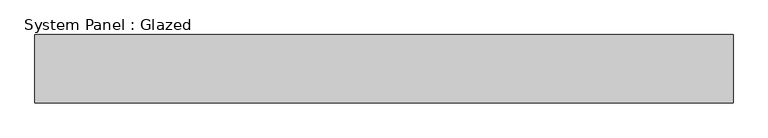
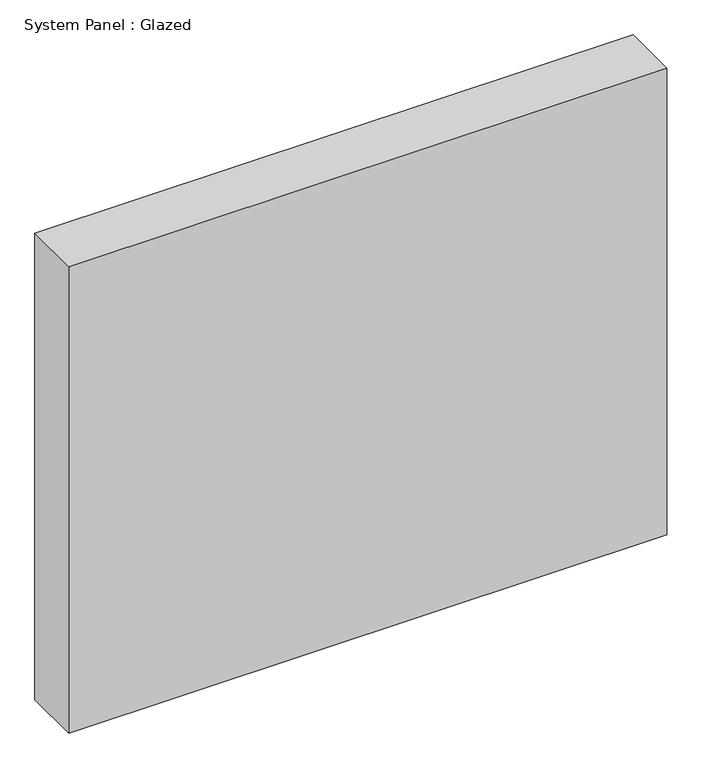
"""IFC4 building model written with IfcOpenShell, lengths in millimetres: plate geometry, System Panel : Glazed."""

from ifc_helpers import new_model, si_unit, origin, origin_with_axes, place, context, project, spatial, polyline, outline, extrude, source, transform, mapped, element, save


def system_panel_glazed_763c1e11(model_context):
    return source(origin(), model_context, "Body", "SweptSolid", [
        extrude(outline(polyline([(512.5, 50.0), (-512.5, 50.0), (-512.5, 150.0), (512.5, 150.0), (512.5, 50.0)])), origin_with_axes(), (0.0, 0.0, 1.0), 845.0),
    ])


if __name__ == "__main__":
    model = new_model("IFC4")
    model_context = context("Model", 3, world=origin())
    ifc_project = project(units=[si_unit("LENGTHUNIT", "METRE", prefix="MILLI")], contexts=[model_context])
    site = spatial("IfcSite", under=ifc_project)
    building = spatial("IfcBuilding", under=site)
    placement = place(None, origin())
    system_panel_glazed_shape = system_panel_glazed_763c1e11(model_context)
    element("IfcPlate", 1, ObjectType="System Panel : Glazed", at=placement, inside=building, context=model_context, shape_type="MappedRepresentation", body=[
        mapped(system_panel_glazed_shape, transform((0.0, 0.0, 0.0), x_axis=(1.0, 0.0, 0.0), y_axis=(0.0, 1.0, 0.0), z_axis=(0.0, 0.0, 1.0))),
    ])
    save(model, "model.ifc")
